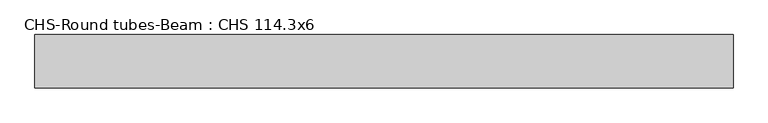
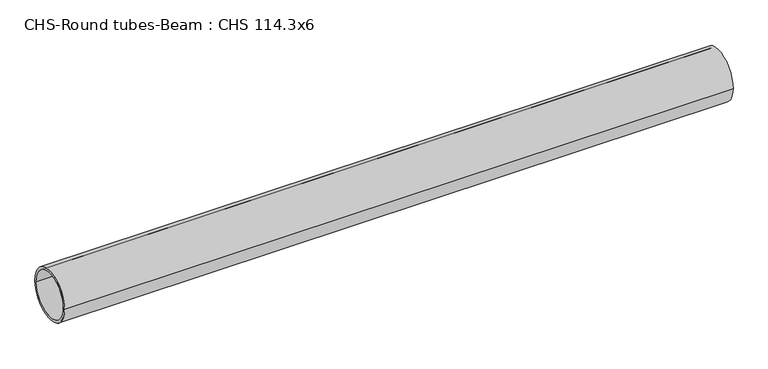
"""IFC4 building model written with IfcOpenShell, lengths in millimetres: beam geometry, CHS-Round tubes-Beam : CHS 114.3x6."""

from ifc_helpers import new_model, si_unit, point, frame, origin, origin_2d, place, context, project, spatial, circle_curve, trimmed, segment, composite_curve, outline, extrude, source, transform, mapped, element, save


def chs_round_tubes_beam_chs_114_3x6_7a7875b2(model_context):
    return source(origin(), model_context, "Body", "SweptSolid", [
        extrude(outline(composite_curve([segment(trimmed(circle_curve(origin_2d(), 57.15), [point((57.15, 0.0))], [point((-57.15, 0.0))], False, "CARTESIAN"), True, "CONTINUOUS"), segment(trimmed(circle_curve(origin_2d(), 57.15), [point((-57.15, 0.0))], [point((57.15, 0.0))], False, "CARTESIAN"), True, "CONTINUOUS")], self_intersect=False), holes=[composite_curve([segment(trimmed(circle_curve(origin_2d(), 51.15), [point((51.15, 0.0))], [point((-51.15, 0.0))], True, "CARTESIAN"), True, "CONTINUOUS"), segment(trimmed(circle_curve(origin_2d(), 51.15), [point((-51.15, 0.0))], [point((51.15, 0.0))], True, "CARTESIAN"), True, "CONTINUOUS")], self_intersect=False)]), frame((-807.9097123, 0.0, 0.0), z_axis=(1.0, 0.0, 0.0), x_axis=(0.0, 1.0, 0.0)), (0.0, 0.0, 1.0), 1491.4669209),
    ])


if __name__ == "__main__":
    model = new_model("IFC4")
    model_context = context("Model", 3, world=origin())
    ifc_project = project(units=[si_unit("LENGTHUNIT", "METRE", prefix="MILLI")], contexts=[model_context])
    site = spatial("IfcSite", under=ifc_project)
    building = spatial("IfcBuilding", under=site)
    placement = place(None, origin())
    chs_round_tubes_beam_chs_114_3x6_shape = chs_round_tubes_beam_chs_114_3x6_7a7875b2(model_context)
    element("IfcBeam", 1, ObjectType="CHS-Round tubes-Beam : CHS 114.3x6", at=placement, inside=building, context=model_context, shape_type="MappedRepresentation", body=[
        mapped(chs_round_tubes_beam_chs_114_3x6_shape, transform((0.0, 0.0, 0.0), x_axis=(1.0, 0.0, 0.0), y_axis=(0.0, 1.0, 0.0), z_axis=(0.0, 0.0, 1.0))),
    ])
    save(model, "model.ifc")
